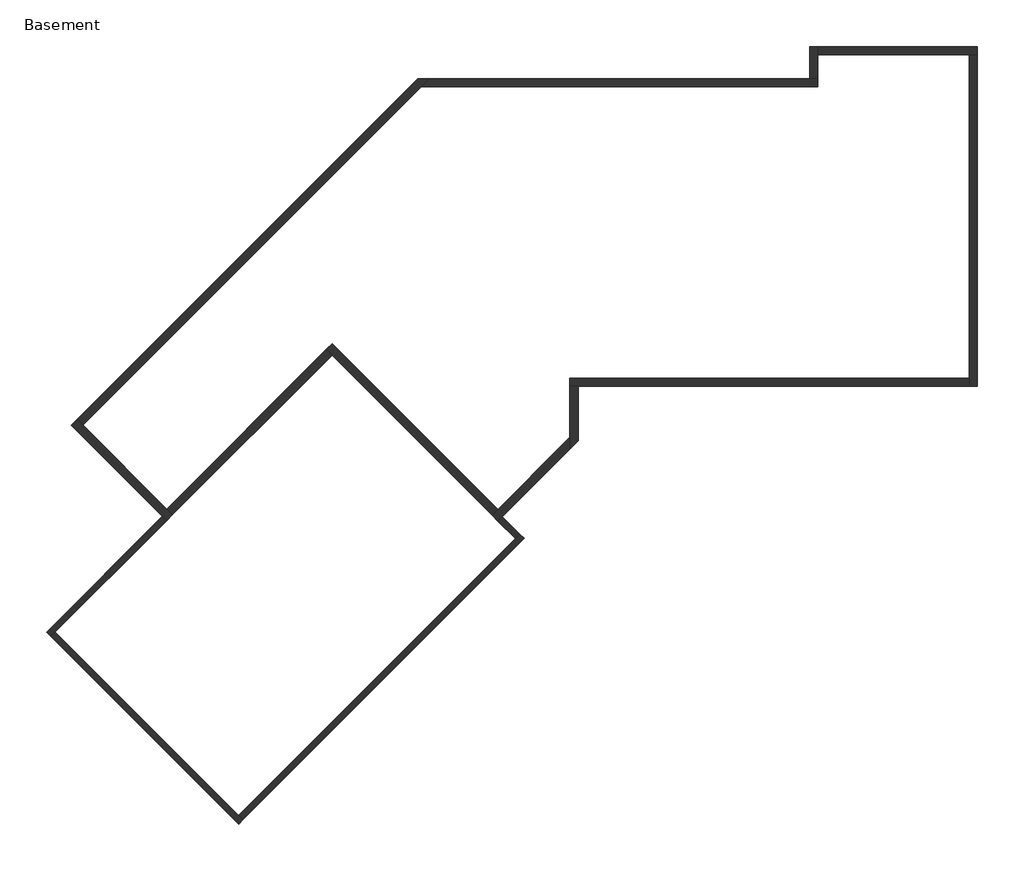
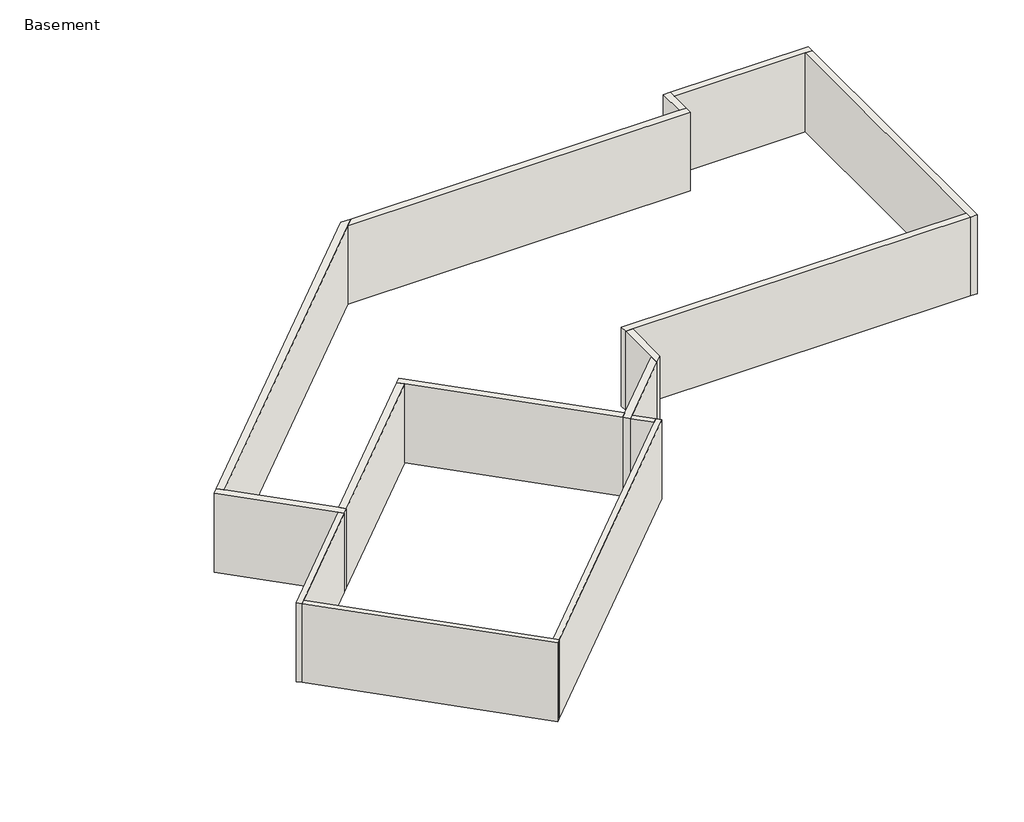
# One storey: 15 walls.
"""IFC4 building model written with IfcOpenShell, lengths in millimetres."""

from ifc_helpers import new_model, si_unit, frame, origin, place, context, project, spatial, polyline, outline, extrude, faceted_brep, element, save

model = new_model("IFC4")

# Units and contexts
model_context = context("Model", 3, world=origin())
ifc_project = project(units=[si_unit("LENGTHUNIT", "METRE", prefix="MILLI")], contexts=[model_context])

# Site, building, storey
site = spatial("IfcSite", under=ifc_project)
building = spatial("IfcBuilding", under=site)
storey = spatial("IfcBuildingStorey", under=building, Name="Basement", Elevation=-2901.95)

# Walls
placement = place(None, origin())
element("IfcWall", 1, ObjectType="Concrete - 6\"", at=placement, inside=storey, context=model_context, shape_type="Brep", body=[
    faceted_brep([(-5039.3539621, 113.2490571, -2901.95), (-4931.5908886, 221.0121306, -2901.95), (-2174.6522594, 2977.9507598, -2901.95), (-2174.6522594, 2977.9507598, -514.35), (-4931.5908886, 221.0121306, -514.35), (-5039.3539621, 113.2490571, -514.35), (-5147.1170355, 221.0121306, -2901.95), (-5147.1170355, 221.0121306, -514.35), (-2282.4153329, 3085.7138332, -514.35), (-2282.4153329, 3085.7138332, -2901.95)], [[[0, 1, 2, 3, 4, 5]], [[6, 7, 8, 9]], [[2, 1, 0, 6, 9]], [[5, 4, 3, 8, 7]], [[0, 5, 7, 6]], [[3, 2, 9, 8]]]),
])
element("IfcWall", 2, ObjectType="Concrete - 6\"", at=placement, inside=storey, context=model_context, shape_type="Brep", body=[
    faceted_brep([(-288.798474, -4421.780284, -2901.95), (-396.5615475, -4314.0172105, -2901.95), (-4931.5908886, 221.0121306, -2901.95), (-4931.5908886, 221.0121306, -514.35), (-396.5615475, -4314.0172105, -514.35), (-288.798474, -4421.780284, -514.35), (-396.5615475, -4529.5433574, -2901.95), (-396.5615475, -4529.5433574, -514.35), (-5039.3539621, 113.2490571, -514.35), (-5039.3539621, 113.2490571, -2901.95)], [[[0, 1, 2, 3, 4, 5]], [[6, 7, 8, 9]], [[2, 1, 0, 6, 9]], [[5, 4, 3, 8, 7]], [[3, 2, 9, 8]], [[0, 5, 7, 6]]]),
])
element("IfcWall", 3, ObjectType="Concrete - 6\"", at=placement, inside=storey, context=model_context, shape_type="Brep", body=[
    faceted_brep([(6563.1369464, 2645.6812833, -2901.95), (6455.3738729, 2537.9182098, -2901.95), (-396.5615475, -4314.0172105, -2901.95), (-396.5615475, -4314.0172105, -514.35), (6455.3738729, 2537.9182098, -514.35), (6563.1369464, 2645.6812833, -514.35), (6670.9000198, 2537.9182098, -2901.95), (6670.9000198, 2537.9182098, -514.35), (-288.798474, -4421.780284, -514.35), (-288.798474, -4421.780284, -2901.95)], [[[0, 1, 2, 3, 4, 5]], [[6, 7, 8, 9]], [[2, 1, 0, 6, 9]], [[5, 4, 3, 8, 7]], [[3, 2, 9, 8]], [[0, 5, 7, 6]]]),
])
element("IfcWall", 4, ObjectType="Concrete - 6\"", at=placement, inside=storey, context=model_context, shape_type="SweptSolid", body=[
    extrude(outline(polyline([(6455.3738729, 2537.9182098), (6024.3215791, 2968.9705036), (6132.0846525, 3076.7335771), (6563.1369464, 2645.6812833), (6455.3738729, 2537.9182098)])), frame((0.0, 0.0, -2901.95), z_axis=(0.0, 0.0, 1.0), x_axis=(1.0, 0.0, 0.0)), (0.0, 0.0, 1.0), 2387.6),
])
element("IfcWall", 5, ObjectType="Concrete - 8\"", at=placement, inside=storey, context=model_context, shape_type="Brep", body=[
    faceted_brep([(-2030.9681615, 3121.6348577, -2901.95), (-2174.6522594, 3265.3189556, -2901.95), (-4249.0914234, 5339.7581196, -2901.95), (-4392.7755213, 5483.4422175, -2901.95), (-4392.7755213, 5483.4422175, -514.35), (-4249.0914234, 5339.7581196, -514.35), (-2174.6522594, 3265.3189556, -514.35), (-2030.9681615, 3121.6348577, -514.35), (-2174.6522594, 2977.9507598, -2901.95), (-2174.6522594, 2977.9507598, -514.35), (-2282.4153329, 3085.7138332, -514.35), (-4536.4596193, 5339.7581196, -514.35), (-4536.4596193, 5339.7581196, -2901.95), (-2282.4153329, 3085.7138332, -2901.95)], [[[0, 1, 2, 3, 4, 5, 6, 7]], [[8, 9, 10, 11, 12, 13]], [[3, 2, 1, 0, 8, 13, 12]], [[7, 6, 5, 4, 11, 10, 9]], [[4, 3, 12, 11]], [[0, 7, 9, 8]]]),
])
element("IfcWall", 6, ObjectType="Concrete - 8\"", at=placement, inside=storey, context=model_context, shape_type="Brep", body=[
    faceted_brep([(-4249.0914234, 5339.7581196, -2901.95), (4125.7082398, 13714.5577828, -2901.95), (4328.9082398, 13917.7577828, -2901.95), (4328.9082398, 13917.7577828, -514.35), (4125.7082398, 13714.5577828, -514.35), (-4249.0914234, 5339.7581196, -514.35), (-4392.7755213, 5483.4422175, -2901.95), (-4392.7755213, 5483.4422175, -514.35), (4041.540044, 13917.7577828, -514.35), (4041.540044, 13917.7577828, -2901.95)], [[[0, 1, 2, 3, 4, 5]], [[6, 7, 8, 9]], [[2, 1, 0, 6, 9]], [[5, 4, 3, 8, 7]], [[0, 5, 7, 6]], [[3, 2, 9, 8]]]),
])
element("IfcWall", 7, ObjectType="Concrete - 8\"", at=placement, inside=storey, context=model_context, shape_type="Brep", body=[
    faceted_brep([(4125.7082398, 13714.5577828, -2901.95), (13940.0043792, 13714.5577828, -2901.95), (13940.0043792, 13714.5577828, -514.35), (4125.7082398, 13714.5577828, -514.35), (4328.9082398, 13917.7577828, -2901.95), (4328.9082398, 13917.7577828, -514.35), (13736.8043792, 13917.7577828, -514.35), (13940.0043792, 13917.7577828, -514.35), (13940.0043792, 13917.7577828, -2901.95), (13736.8043792, 13917.7577828, -2901.95)], [[[0, 1, 2, 3]], [[4, 5, 6, 7, 8, 9]], [[1, 0, 4, 9, 8]], [[3, 2, 7, 6, 5]], [[0, 3, 5, 4]], [[2, 1, 8, 7]]]),
])
element("IfcWall", 8, ObjectType="Concrete - 8\"", at=placement, inside=storey, context=model_context, shape_type="Brep", body=[
    faceted_brep([(13940.0043792, 13917.7577828, -2901.95), (13940.0043792, 14508.6175305, -2901.95), (13940.0043792, 14711.8175305, -2901.95), (13940.0043792, 14711.8175305, -514.35), (13940.0043792, 14508.6175305, -514.35), (13940.0043792, 13917.7577828, -514.35), (13736.8043792, 13917.7577828, -2901.95), (13736.8043792, 13917.7577828, -514.35), (13736.8043792, 14711.8175305, -514.35), (13736.8043792, 14711.8175305, -2901.95)], [[[0, 1, 2, 3, 4, 5]], [[6, 7, 8, 9]], [[2, 1, 0, 6, 9]], [[5, 4, 3, 8, 7]], [[3, 2, 9, 8]], [[0, 5, 7, 6]]]),
])
element("IfcWall", 9, ObjectType="Concrete - 8\"", at=placement, inside=storey, context=model_context, shape_type="Brep", body=[
    faceted_brep([(13940.0043792, 14508.6175305, -2901.95), (17686.5043792, 14508.6175305, -2901.95), (17889.7043792, 14508.6175305, -2901.95), (17889.7043792, 14508.6175305, -514.35), (17686.5043792, 14508.6175305, -514.35), (13940.0043792, 14508.6175305, -514.35), (13940.0043792, 14711.8175305, -2901.95), (13940.0043792, 14711.8175305, -514.35), (17889.7043792, 14711.8175305, -514.35), (17889.7043792, 14711.8175305, -2901.95)], [[[0, 1, 2, 3, 4, 5]], [[6, 7, 8, 9]], [[2, 1, 0, 6, 9]], [[5, 4, 3, 8, 7]], [[0, 5, 7, 6]], [[3, 2, 9, 8]]]),
])
element("IfcWall", 10, ObjectType="Concrete - 8\"", at=placement, inside=storey, context=model_context, shape_type="Brep", body=[
    faceted_brep([(17686.5043792, 14508.6175305, -2901.95), (17686.5043792, 6507.6175305, -2901.95), (17686.5043792, 6304.4175305, -2901.95), (17686.5043792, 6304.4175305, -514.35), (17686.5043792, 6507.6175305, -514.35), (17686.5043792, 14508.6175305, -514.35), (17889.7043792, 14508.6175305, -2901.95), (17889.7043792, 14508.6175305, -514.35), (17889.7043792, 6304.4175305, -514.35), (17889.7043792, 6304.4175305, -2901.95)], [[[0, 1, 2, 3, 4, 5]], [[6, 7, 8, 9]], [[2, 1, 0, 6, 9]], [[5, 4, 3, 8, 7]], [[0, 5, 7, 6]], [[3, 2, 9, 8]]]),
])
element("IfcWall", 11, ObjectType="Concrete - 8\"", at=placement, inside=storey, context=model_context, shape_type="Brep", body=[
    faceted_brep([(17686.5043792, 6507.6175305, -2901.95), (7805.9043792, 6507.6175305, -2901.95), (7805.9043792, 6507.6175305, -514.35), (17686.5043792, 6507.6175305, -514.35), (17686.5043792, 6304.4175305, -2901.95), (17686.5043792, 6304.4175305, -514.35), (8009.1043792, 6304.4175305, -514.35), (7805.9043792, 6304.4175305, -514.35), (7805.9043792, 6304.4175305, -2901.95), (8009.1043792, 6304.4175305, -2901.95)], [[[0, 1, 2, 3]], [[4, 5, 6, 7, 8, 9]], [[1, 0, 4, 9, 8]], [[3, 2, 7, 6, 5]], [[0, 3, 5, 4]], [[2, 1, 8, 7]]]),
])
element("IfcWall", 12, ObjectType="Concrete - 8\"", at=placement, inside=storey, context=model_context, shape_type="Brep", body=[
    faceted_brep([(7805.9043792, 6304.4175305, -2901.95), (7805.9043792, 5037.9214996, -2901.95), (7805.9043792, 4750.5533038, -2901.95), (7805.9043792, 4750.5533038, -514.35), (7805.9043792, 5037.9214996, -514.35), (7805.9043792, 6304.4175305, -514.35), (8009.1043792, 6304.4175305, -2901.95), (8009.1043792, 6304.4175305, -514.35), (8009.1043792, 4953.7533038, -514.35), (8009.1043792, 4953.7533038, -2901.95)], [[[0, 1, 2, 3, 4, 5]], [[6, 7, 8, 9]], [[2, 1, 0, 6, 9]], [[5, 4, 3, 8, 7]], [[0, 5, 7, 6]], [[3, 2, 9, 8]]]),
])
element("IfcWall", 13, ObjectType="Concrete - 8\"", at=placement, inside=storey, context=model_context, shape_type="Brep", body=[
    faceted_brep([(7805.9043792, 5037.9214996, -2901.95), (6024.3215791, 3256.3386995, -2901.95), (5880.6374812, 3112.6546016, -2901.95), (5880.6374812, 3112.6546016, -514.35), (6024.3215791, 3256.3386995, -514.35), (7805.9043792, 5037.9214996, -514.35), (7805.9043792, 4750.5533038, -2901.95), (7805.9043792, 4750.5533038, -514.35), (6132.0846525, 3076.7335771, -514.35), (6024.3215791, 2968.9705036, -514.35), (6024.3215791, 2968.9705036, -2901.95), (6132.0846525, 3076.7335771, -2901.95)], [[[0, 1, 2, 3, 4, 5]], [[6, 7, 8, 9, 10, 11]], [[2, 1, 0, 6, 11, 10]], [[5, 4, 3, 9, 8, 7]], [[0, 5, 7, 6]], [[3, 2, 10, 9]]]),
])
element("IfcWall", 14, ObjectType="Concrete - 8\"", at=placement, inside=storey, context=model_context, shape_type="Brep", body=[
    faceted_brep([(6024.3215791, 3256.3386995, -2901.95), (1920.3445318, 7360.3157468, -2901.95), (1920.3445318, 7360.3157468, -514.35), (6024.3215791, 3256.3386995, -514.35), (5880.6374812, 3112.6546016, -2901.95), (5880.6374812, 3112.6546016, -514.35), (1920.3445318, 7072.947551, -514.35), (1776.6604338, 7216.6316489, -514.35), (1776.6604338, 7216.6316489, -2901.95), (1920.3445318, 7072.947551, -2901.95)], [[[0, 1, 2, 3]], [[4, 5, 6, 7, 8, 9]], [[1, 0, 4, 9, 8]], [[3, 2, 7, 6, 5]], [[2, 1, 8, 7]], [[0, 3, 5, 4]]]),
])
element("IfcWall", 15, ObjectType="Concrete - 8\"", at=placement, inside=storey, context=model_context, shape_type="SweptSolid", body=[
    extrude(outline(polyline([(-2174.6522594, 3265.3189556), (1776.6604338, 7216.6316489), (1920.3445318, 7072.947551), (-2030.9681615, 3121.6348577), (-2174.6522594, 3265.3189556)])), frame((0.0, 0.0, -2901.95), z_axis=(0.0, 0.0, 1.0), x_axis=(1.0, 0.0, 0.0)), (0.0, 0.0, 1.0), 2387.6),
])

save(model, "model.ifc")
